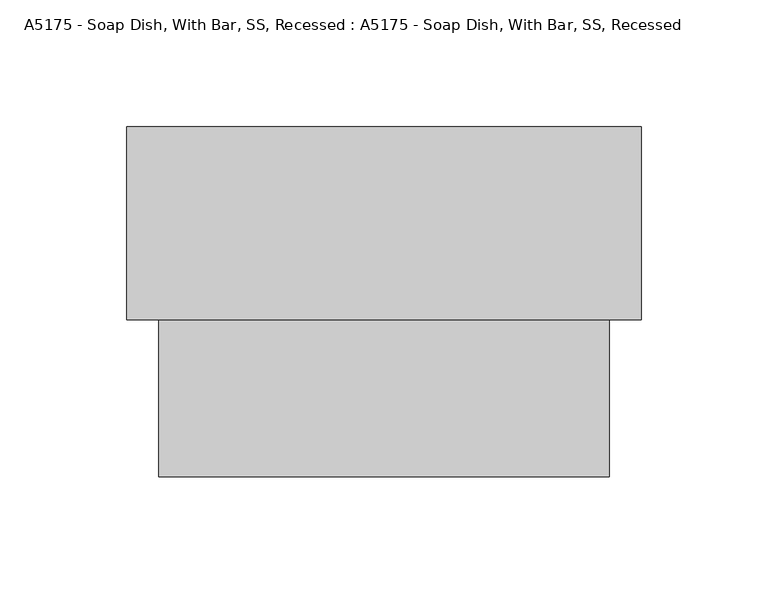
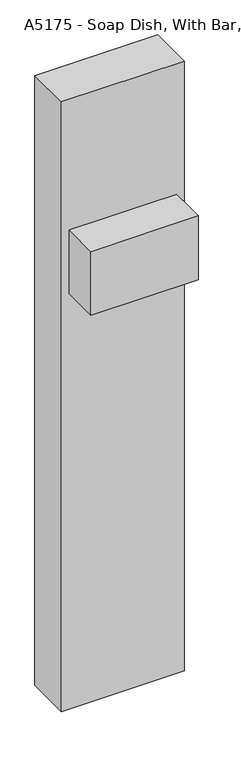
"""IFC4 building model written with IfcOpenShell, lengths in millimetres: proxy geometry, A5175 - Soap Dish, With Bar, SS, Recessed : A5175 - Soap Dish, With Bar, SS, Recessed."""

from ifc_helpers import new_model, si_unit, frame, origin, place, context, project, spatial, circle_curve, ellipse_curve, faceted_brep, source, transform, mapped, element, save
from ifc_brep_helpers import plane_surface, cylinder_surface, advanced_brep


def a5175_soap_dish_with_bar_ss_recessed_a5175_soap_dish_with_4c44fc04(model_context):
    return source(origin(), model_context, "Body", "SolidModel", [
        advanced_brep(
        [(-73.0659295, 74.6125, 762.0315243), (-79.4157151, 74.6125, 762.0315243), (-73.0659295, 84.1376072, 762.0315243), (-79.4157151, 90.4873928, 762.0315243), (72.9842849, 84.1376072, 762.0315243), (79.3340705, 90.4873928, 762.0315243), (72.9842849, 74.6125, 762.0315243), (79.3340705, 74.6125, 762.0315243)],
        [
            (0, 1, circle_curve(frame((-76.2408223, 74.6125, 762.0315243), z_axis=(0.0, -1.0, 0.0), x_axis=(-1.0, 0.0, 0.0)), 3.1748928)),
            (1, 0, circle_curve(frame((-76.2408223, 74.6125, 762.0315243), z_axis=(0.0, -1.0, 0.0), x_axis=(-1.0, 0.0, 0.0)), 3.1748928)),
            (0, 2),
            (2, 3, ellipse_curve(frame((-76.2408223, 87.3125, 762.0315243), z_axis=(-0.7071067811865475, -0.7071067811865475, 0.0), x_axis=(0.7071067811865474, -0.7071067811865476, 0.0)), 4.4899765, 3.1748928)),
            (3, 1),
            (3, 2, ellipse_curve(frame((-76.2408223, 87.3125, 762.0315243), z_axis=(-0.7071067811865475, -0.7071067811865475, 0.0), x_axis=(0.7071067811865474, -0.7071067811865476, 0.0)), 4.4899765, 3.1748928)),
            (2, 4),
            (4, 5, ellipse_curve(frame((76.1591777, 87.3125, 762.0315243), z_axis=(-0.7071067811865475, 0.7071067811865475, 0.0), x_axis=(-0.7071067811865476, -0.7071067811865474, 0.0)), 4.4899765, 3.1748928)),
            (5, 3),
            (5, 4, ellipse_curve(frame((76.1591777, 87.3125, 762.0315243), z_axis=(-0.7071067811865475, 0.7071067811865475, 0.0), x_axis=(-0.7071067811865476, -0.7071067811865474, 0.0)), 4.4899765, 3.1748928)),
            (6, 7, circle_curve(frame((76.1591777, 74.6125, 762.0315243), z_axis=(0.0, -1.0, 0.0), x_axis=(1.0, 0.0, 0.0)), 3.1748928)),
            (7, 6, circle_curve(frame((76.1591777, 74.6125, 762.0315243), z_axis=(0.0, -1.0, 0.0), x_axis=(1.0, 0.0, 0.0)), 3.1748928)),
            (4, 6),
            (7, 5),
        ],
        [
            plane_surface(frame((-76.2408223, 74.6125, 762.0315243), z_axis=(0.0, -1.0, 0.0), x_axis=(0.0, 0.0, 1.0))),
            cylinder_surface(frame((-76.2408223, 74.6125, 762.0315243), z_axis=(0.0, -1.0, 0.0), x_axis=(-1.0, 0.0, 0.0)), 3.1748928),
            cylinder_surface(frame((-76.2408223, 87.3125, 762.0315243), z_axis=(-1.0, 0.0, 0.0), x_axis=(0.0, 1.0, 0.0)), 3.1748928),
            plane_surface(frame((76.1591777, 74.6125, 762.0315243), z_axis=(0.0, -1.0, 0.0), x_axis=(0.0, 0.0, 1.0))),
            cylinder_surface(frame((76.1591777, 87.3125, 762.0315243), z_axis=(0.0, 1.0, 0.0), x_axis=(1.0, 0.0, 0.0)), 3.1748928),
        ],
        [
            (0, [[1, 2]]),
            (1, [[-1, 3, 4, 5]]),
            (1, [[-2, -5, 6, -3]]),
            (2, [[-4, 7, 8, 9]]),
            (2, [[-6, -9, 10, -7]]),
            (3, [[11, 12]]),
            (4, [[-8, 13, -12, 14]]),
            (4, [[-10, -14, -11, -13]]),
        ],
    ),
        faceted_brep([(-69.85, 13.796456, 817.5393161), (-69.85, 13.796456, 741.3393161), (-69.85, 88.9, 741.3393161), (-69.85, 88.9, 817.5393161), (69.85, 13.796456, 817.5393161), (69.85, 88.9, 817.5393161), (69.85, 13.796456, 741.3393161), (69.85, 88.9, 741.3393161), (-88.9, 88.9, 726.6299448), (-88.9, 88.9, 838.2), (88.9, 88.9, 838.2), (88.9, 88.9, 726.6299448), (-88.9, 0.0, 726.6299448), (88.9, 0.0, 726.6299448), (88.9, 0.0, 838.2), (-88.9, 0.0, 838.2)], [[[0, 1, 2, 3]], [[4, 0, 3, 5]], [[6, 4, 5, 7]], [[1, 6, 7, 2]], [[8, 9, 10, 11], [3, 2, 7, 5]], [[12, 13, 14, 15]], [[9, 8, 12, 15]], [[10, 9, 15, 14]], [[11, 10, 14, 13]], [[8, 11, 13, 12]], [[1, 0, 4, 6]]]),
        faceted_brep([(101.6, 138.1125, 1066.8), (-101.6, 138.1125, 1066.8), (-101.6, 61.9125, 1066.8), (101.6, 61.9125, 1066.8), (101.6, 138.1125, 0.0), (101.6, 61.9125, 0.0), (-101.6, 61.9125, 0.0), (-101.6, 138.1125, 0.0), (-69.85, 61.9125, 741.3393161), (-69.85, 61.9125, 817.5393161), (69.85, 61.9125, 817.5393161), (69.85, 61.9125, 741.3393161), (-69.85, 88.9, 741.3393161), (69.85, 88.9, 741.3393161), (69.85, 88.9, 817.5393161), (-69.85, 88.9, 817.5393161)], [[[0, 1, 2, 3]], [[4, 5, 6, 7]], [[1, 0, 4, 7]], [[2, 1, 7, 6]], [[3, 2, 6, 5], [8, 9, 10, 11]], [[0, 3, 5, 4]], [[12, 13, 14, 15]], [[12, 15, 9, 8]], [[15, 14, 10, 9]], [[14, 13, 11, 10]], [[13, 12, 8, 11]]]),
    ])


if __name__ == "__main__":
    model = new_model("IFC4")
    model_context = context("Model", 3, world=origin())
    ifc_project = project(units=[si_unit("LENGTHUNIT", "METRE", prefix="MILLI")], contexts=[model_context])
    site = spatial("IfcSite", under=ifc_project)
    building = spatial("IfcBuilding", under=site)
    placement = place(None, origin())
    a5175_soap_dish_with_bar_ss_recessed_a5175_soap_dish_with_shape = a5175_soap_dish_with_bar_ss_recessed_a5175_soap_dish_with_4c44fc04(model_context)
    element("IfcBuildingElementProxy", 1, Name="A5175 - Soap Dish, With Bar, SS, Recessed : A5175 - Soap Dish, With Bar, SS, Recessed", ObjectType="A5175 - Soap Dish, With Bar, SS, Recessed : A5175 - Soap Dish, With Bar, SS, Recessed", at=placement, inside=building, context=model_context, shape_type="MappedRepresentation", body=[
        mapped(a5175_soap_dish_with_bar_ss_recessed_a5175_soap_dish_with_shape, transform((0.0, 0.0, 0.0), x_axis=(1.0, 0.0, 0.0), y_axis=(0.0, 1.0, 0.0), z_axis=(0.0, 0.0, 1.0))),
    ])
    save(model, "model.ifc")
